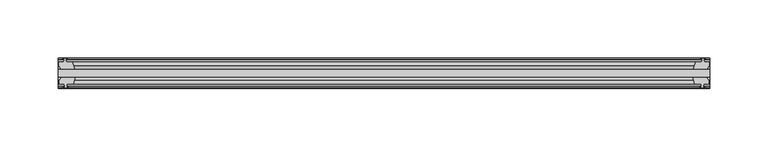
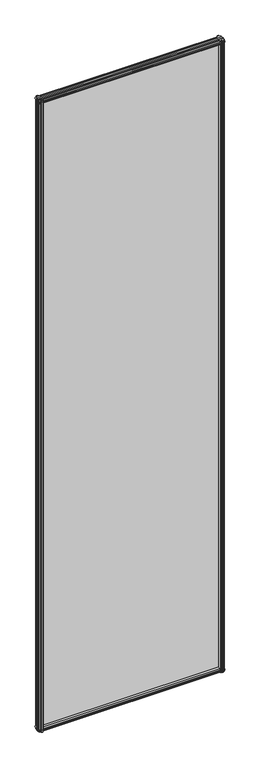
"""IFC4 building model written with IfcOpenShell, lengths in millimetres: plate geometry."""

from ifc_helpers import new_model, si_unit, frame, origin, place, context, project, spatial, polyline, outline, extrude, source, transform, mapped, element, save


def plate_160a1810(model_context):
    return source(origin(), model_context, "Body", "SweptSolid", [
        extrude(outline(polyline([(-301.3769531, -19.5460937), (258.0183594, -19.5460937), (258.0183594, -25.8960937), (-301.3769531, -25.8960937), (-301.3769531, -19.5460937)])), frame((0.0, 0.0, -12.7), z_axis=(0.0, 0.0, 1.0), x_axis=(1.0, 0.0, 0.0)), (0.0, 0.0, 1.0), 2019.3),
        extrude(outline(polyline([(255.0436631, -25.8960937), (257.2563594, -29.2996938), (257.2563594, -32.2460938), (252.8113594, -32.2460938), (252.4303594, -34.6262907), (253.8458884, -34.1663575), (253.8458884, -34.9675717), (251.6683594, -35.6750938), (249.4908303, -34.9675717), (249.4908303, -34.1663575), (250.9063594, -34.6262907), (250.5253594, -32.2460938), (245.3183594, -32.2460938), (243.2130823, -25.8960937), (255.0436631, -25.8960937)])), frame((0.0, 0.0, -12.7), z_axis=(0.0, 0.0, 1.0), x_axis=(1.0, 0.0, 0.0)), (0.0, 0.0, 1.0), 2019.3),
        extrude(outline(polyline([(250.0115303, -10.4746158), (252.1890594, -9.7670938), (254.3665884, -10.4746158), (254.3665884, -11.27583), (252.9510594, -10.8158968), (253.3320594, -13.1960938), (257.7770594, -13.1960938), (257.7770594, -16.1424938), (255.5643631, -19.5460937), (243.7337823, -19.5460937), (245.8390594, -13.1960938), (251.0460594, -13.1960938), (251.4270594, -10.8158968), (250.0115303, -11.27583), (250.0115303, -10.4746158)])), frame((0.0, 0.0, -12.7), z_axis=(0.0, 0.0, 1.0), x_axis=(1.0, 0.0, 0.0)), (0.0, 0.0, 1.0), 2019.3),
        extrude(outline(polyline([(-286.5716761, -25.8960937), (-288.6769531, -32.2460937), (-293.8839531, -32.2460937), (-294.2649531, -34.6262907), (-292.8494241, -34.1663575), (-292.8494241, -34.9675717), (-295.0269531, -35.6750937), (-297.2044822, -34.9675717), (-297.2044822, -34.1663575), (-295.7889531, -34.6262907), (-296.1699531, -32.2460937), (-300.6149531, -32.2460937), (-300.6149531, -29.2996937), (-298.4022569, -25.8960937), (-286.5716761, -25.8960937)])), frame((0.0, 0.0, -12.7), z_axis=(0.0, 0.0, 1.0), x_axis=(1.0, 0.0, 0.0)), (0.0, 0.0, 1.0), 2019.3),
        extrude(outline(polyline([(-296.3096531, -10.8158968), (-297.7251822, -11.27583), (-297.7251822, -10.4746158), (-295.5476531, -9.7670937), (-293.3701241, -10.4746158), (-293.3701241, -11.27583), (-294.7856531, -10.8158968), (-294.4046531, -13.1960937), (-289.1976531, -13.1960937), (-287.0923761, -19.5460937), (-298.9229569, -19.5460937), (-301.1356531, -16.1424937), (-301.1356531, -13.1960937), (-296.6906531, -13.1960937), (-296.3096531, -10.8158968)])), frame((0.0, 0.0, -12.7), z_axis=(0.0, 0.0, 1.0), x_axis=(1.0, 0.0, 0.0)), (0.0, 0.0, 1.0), 2019.3),
        extrude(outline(polyline([(-13.1960937, 2006.3587), (-13.1960937, 2001.9137), (-10.8158968, 2001.5327), (-11.27583, 2002.9482291), (-10.4746158, 2002.9482291), (-9.7670937, 2000.7707), (-10.4746158, 1998.5931709), (-11.27583, 1998.5931709), (-10.8158968, 2000.0087), (-13.1960937, 1999.6277), (-13.1960937, 1994.4207), (-19.5460937, 1992.3154229), (-19.5460937, 2004.1460038), (-16.1424937, 2006.3587), (-13.1960937, 2006.3587)])), frame((-301.3769531, 0.0, 0.0), z_axis=(1.0, 0.0, 0.0), x_axis=(0.0, 1.0, 0.0)), (0.0, 0.0, 1.0), 559.3953125),
        extrude(outline(polyline([(-29.2996937, 2005.838), (-25.8960937, 2003.6253038), (-25.8960937, 1991.7947229), (-32.2460937, 1993.9), (-32.2460937, 1999.107), (-34.6262907, 1999.488), (-34.1663575, 1998.072471), (-34.9675717, 1998.072471), (-35.6750937, 2000.25), (-34.9675717, 2002.4275291), (-34.1663575, 2002.4275291), (-34.6262907, 2001.012), (-32.2460937, 2001.393), (-32.2460937, 2005.838), (-29.2996937, 2005.838)])), frame((-301.3769531, 0.0, 0.0), z_axis=(1.0, 0.0, 0.0), x_axis=(0.0, 1.0, 0.0)), (0.0, 0.0, 1.0), 559.3953125),
        extrude(outline(polyline([(-25.8960937, 2.1052771), (-25.8960937, -9.7253038), (-29.2996937, -11.938), (-32.2460937, -11.938), (-32.2460937, -7.493), (-34.6262907, -7.112), (-34.1663575, -8.5275291), (-34.9675717, -8.5275291), (-35.6750937, -6.35), (-34.9675717, -4.1724709), (-34.1663575, -4.1724709), (-34.6262907, -5.588), (-32.2460937, -5.207), (-32.2460937, 0.0), (-25.8960937, 2.1052771)])), frame((-301.3769531, 0.0, 0.0), z_axis=(1.0, 0.0, 0.0), x_axis=(0.0, 1.0, 0.0)), (0.0, 0.0, 1.0), 559.3953125),
        extrude(outline(polyline([(-19.5460937, 1.5845771), (-13.1960937, -0.5207), (-13.1960937, -5.7277), (-10.8158968, -6.1087), (-11.27583, -4.6931709), (-10.4746158, -4.6931709), (-9.7670937, -6.8707), (-10.4746158, -9.048229), (-11.27583, -9.048229), (-10.8158968, -7.6327), (-13.1960937, -8.0137), (-13.1960937, -12.4587), (-16.1424937, -12.4587), (-19.5460937, -10.2460038), (-19.5460937, 1.5845771)])), frame((-301.3769531, 0.0, 0.0), z_axis=(1.0, 0.0, 0.0), x_axis=(0.0, 1.0, 0.0)), (0.0, 0.0, 1.0), 559.3953125),
    ])


if __name__ == "__main__":
    model = new_model("IFC4")
    model_context = context("Model", 3, world=origin())
    ifc_project = project(units=[si_unit("LENGTHUNIT", "METRE", prefix="MILLI")], contexts=[model_context])
    site = spatial("IfcSite", under=ifc_project)
    building = spatial("IfcBuilding", under=site)
    placement = place(None, origin())
    plate_shape = plate_160a1810(model_context)
    element("IfcPlate", 1, at=placement, inside=building, context=model_context, shape_type="MappedRepresentation", body=[
        mapped(plate_shape, transform((0.0, 0.0, 0.0), x_axis=(1.0, 0.0, 0.0), y_axis=(0.0, 1.0, 0.0), z_axis=(0.0, 0.0, 1.0))),
    ])
    save(model, "model.ifc")
